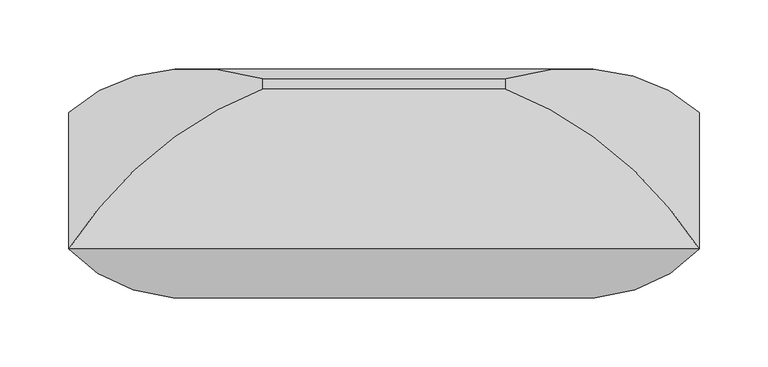
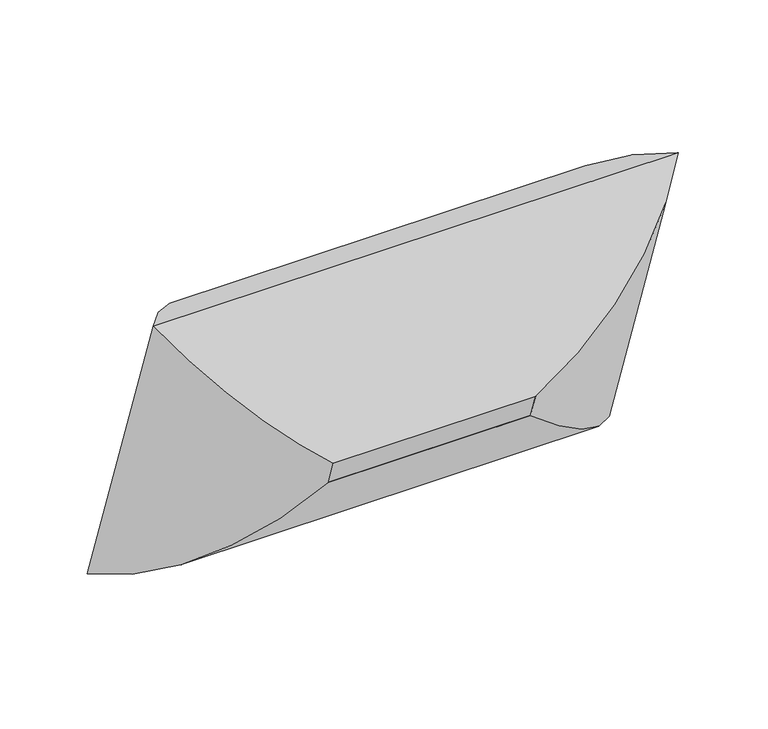
"""IFC4 building model written with IfcOpenShell, lengths in millimetres: furniture geometry."""

from ifc_helpers import new_model, si_unit, frame, origin, place, context, project, spatial, polyline, ellipse_curve, outline, extrude, source, transform, mapped, element, save
from ifc_brep_helpers import plane_surface, cylinder_surface, advanced_brep


def furniture_e7d20ced(model_context):
    return source(origin(), model_context, "Body", "SolidModel", [
        advanced_brep(
        [(-88.10625, -127.0156513, 561.4940984), (-228.2741804, -99.0210205, 719.3779248), (-228.2741804, 0.0, 431.8), (-88.10625, -119.2630596, 538.9789373), (-88.10625, 17.0813796, 611.1106852), (-88.10625, 24.8339713, 588.5955241), (228.2741804, 0.0, 431.8), (88.10625, -119.2630596, 538.9789373), (88.10625, 24.8339713, 588.5955241), (228.2741804, -99.0210205, 719.3779248), (88.10625, -127.0156513, 561.4940984), (88.10625, 17.0813796, 611.1106852)],
        [
            (0, 1, ellipse_curve(frame((-83.326504, 38.767439, 613.522636), z_axis=(-0.7071067811865476, 0.23021144975504015, -0.6685825965441236), x_axis=(-0.7071067811865472, -0.23021144975504024, 0.668582596544124)), 245.7274984, 173.7555804)),
            (1, 2),
            (2, 3, ellipse_curve(frame((-83.326504, 43.4077645, 600.0461521), z_axis=(-0.7071067811865474, -0.23021144975504024, 0.6685825965441239), x_axis=(0.7071067811865476, -0.2302114497550402, 0.6685825965441238)), 245.7274984, 173.7555804)),
            (3, 0),
            (4, 0),
            (3, 5),
            (5, 4),
            (1, 4, ellipse_curve(frame((-78.9179464, -156.1281422, 541.752124), z_axis=(-0.7071067811865476, 0.23021144975504015, -0.6685825965441236), x_axis=(-0.7071067811865472, -0.23021144975504024, 0.668582596544124)), 263.8641638, 186.5801395)),
            (5, 2, ellipse_curve(frame((-78.9179464, -154.3583886, 536.6123863), z_axis=(-0.7071067811865474, -0.23021144975504024, 0.6685825965441239), x_axis=(0.7071067811865476, -0.2302114497550402, 0.6685825965441238)), 263.8641638, 186.5801395)),
            (2, 6),
            (6, 7, ellipse_curve(frame((83.326504, 43.4077645, 600.0461521), z_axis=(-0.7071067811865476, 0.23021144975504035, -0.6685825965441237), x_axis=(-0.7071067811865474, -0.2302114497550404, 0.6685825965441238)), 245.7274984, 173.7555804)),
            (7, 3),
            (7, 8),
            (8, 5),
            (8, 6, ellipse_curve(frame((78.9179464, -154.3583886, 536.6123863), z_axis=(-0.7071067811865476, 0.23021144975504035, -0.6685825965441237), x_axis=(-0.7071067811865474, -0.2302114497550404, 0.6685825965441238)), 263.8641638, 186.5801395)),
            (6, 9),
            (9, 10, ellipse_curve(frame((83.326504, 38.767439, 613.522636), z_axis=(0.7071067811865474, 0.2302114497550404, -0.6685825965441239), x_axis=(-0.7071067811865478, 0.23021144975504026, -0.6685825965441236)), 245.7274984, 173.7555804)),
            (10, 7),
            (10, 11),
            (11, 8),
            (11, 9, ellipse_curve(frame((78.9179464, -156.1281422, 541.752124), z_axis=(0.7071067811865474, 0.2302114497550404, -0.6685825965441239), x_axis=(-0.7071067811865478, 0.23021144975504026, -0.6685825965441236)), 263.8641638, 186.5801395)),
            (9, 1),
            (0, 10),
            (4, 11),
        ],
        [
            cylinder_surface(frame((-83.326504, 37.2113059, 618.0419746), z_axis=(0.0, -0.3255681544571502, 0.9455185755993191), x_axis=(0.0, -0.9455185755993191, -0.3255681544571502)), 173.7555804),
            plane_surface(frame((-88.10625, -127.0156513, 561.4940984), z_axis=(1.0000000000000002, 0.0, 0.0), x_axis=(0.0, 0.3255681544571484, -0.9455185755993197))),
            cylinder_surface(frame((-78.9179464, -159.1195612, 550.4398357), z_axis=(0.0, -0.3255681544571502, 0.9455185755993191), x_axis=(0.0, -0.9455185755993191, -0.3255681544571502)), 186.5801395),
            cylinder_surface(frame((-88.10625, 43.4077645, 600.0461521), z_axis=(-1.0000000000000002, 0.0, 0.0), x_axis=(0.0, -0.9455185755993191, -0.3255681544571505)), 173.7555804),
            plane_surface(frame((-88.10625, -119.2630596, 538.9789373), z_axis=(0.0, -0.3255681544571507, 0.945518575599319), x_axis=(1.0, 0.0, 0.0))),
            cylinder_surface(frame((-88.10625, -154.3583886, 536.6123863), z_axis=(-1.0000000000000002, 0.0, 0.0), x_axis=(0.0, -0.9455185755993191, -0.3255681544571505)), 186.5801395),
            cylinder_surface(frame((83.326504, 44.9638976, 595.5268135), z_axis=(0.0, 0.3255681544571504, -0.9455185755993191), x_axis=(0.0, -0.9455185755993191, -0.3255681544571504)), 173.7555804),
            plane_surface(frame((88.10625, -119.2630596, 538.9789373), z_axis=(-1.0000000000000002, 0.0, 0.0), x_axis=(0.0, -0.32556815445714965, 0.9455185755993193))),
            cylinder_surface(frame((78.9179464, -151.3669696, 527.9246746), z_axis=(0.0, 0.3255681544571504, -0.9455185755993191), x_axis=(0.0, -0.9455185755993191, -0.3255681544571504)), 186.5801395),
            cylinder_surface(frame((88.10625, 38.767439, 613.522636), z_axis=(1.0, 0.0, 0.0), x_axis=(0.0, -0.945518575599319, -0.3255681544571504)), 173.7555804),
            plane_surface(frame((88.10625, -127.0156513, 561.4940984), z_axis=(0.0, 0.32556815445715015, -0.9455185755993191), x_axis=(-1.0, 0.0, 0.0))),
            cylinder_surface(frame((88.10625, -156.1281422, 541.752124), z_axis=(1.0, 0.0, 0.0), x_axis=(0.0, -0.945518575599319, -0.3255681544571504)), 186.5801395),
        ],
        [
            (0, [[1, 2, 3, 4]]),
            (1, [[5, -4, 6, 7]]),
            (2, [[8, -7, 9, -2]]),
            (3, [[-3, 10, 11, 12]]),
            (4, [[-6, -12, 13, 14]]),
            (5, [[-9, -14, 15, -10]]),
            (6, [[-11, 16, 17, 18]]),
            (7, [[-13, -18, 19, 20]]),
            (8, [[-15, -20, 21, -16]]),
            (9, [[-17, 22, -1, 23]]),
            (10, [[-19, -23, -5, 24]]),
            (11, [[-21, -24, -8, -22]]),
        ],
    ),
        extrude(outline(polyline([(0.0, -176.2125), (0.0, 0.0), (152.4, 0.0), (152.4, -176.2125), (0.0, -176.2125)])), frame((-88.10625, -119.2630596, 538.9789373), z_axis=(0.0, -0.3255681544571503, 0.9455185755993191), x_axis=(0.0, 0.9455185755993191, 0.3255681544571503)), (0.0, 0.0, 1.0), 23.8125),
    ])


if __name__ == "__main__":
    model = new_model("IFC4")
    model_context = context("Model", 3, world=origin())
    ifc_project = project(units=[si_unit("LENGTHUNIT", "METRE", prefix="MILLI")], contexts=[model_context])
    site = spatial("IfcSite", under=ifc_project)
    building = spatial("IfcBuilding", under=site)
    placement = place(None, origin())
    furniture_shape = furniture_e7d20ced(model_context)
    element("IfcFurniture", 1, at=placement, inside=building, context=model_context, shape_type="MappedRepresentation", body=[
        mapped(furniture_shape, transform((0.0, 0.0, 0.0), x_axis=(1.0, 0.0, 0.0), y_axis=(0.0, 1.0, 0.0), z_axis=(0.0, 0.0, 1.0))),
    ])
    save(model, "model.ifc")
